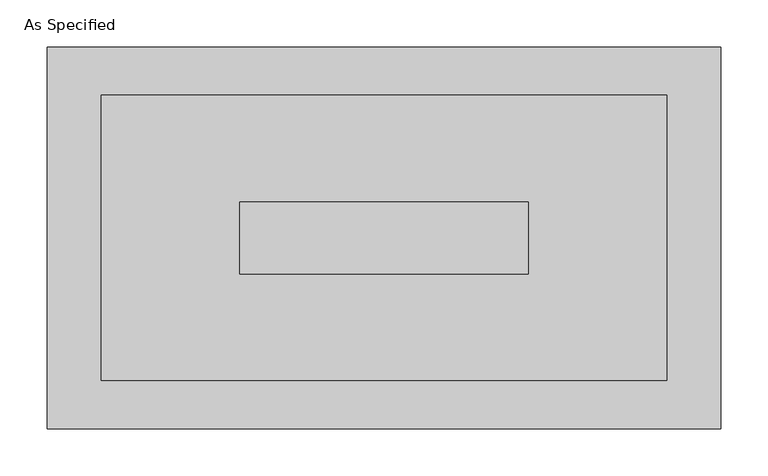
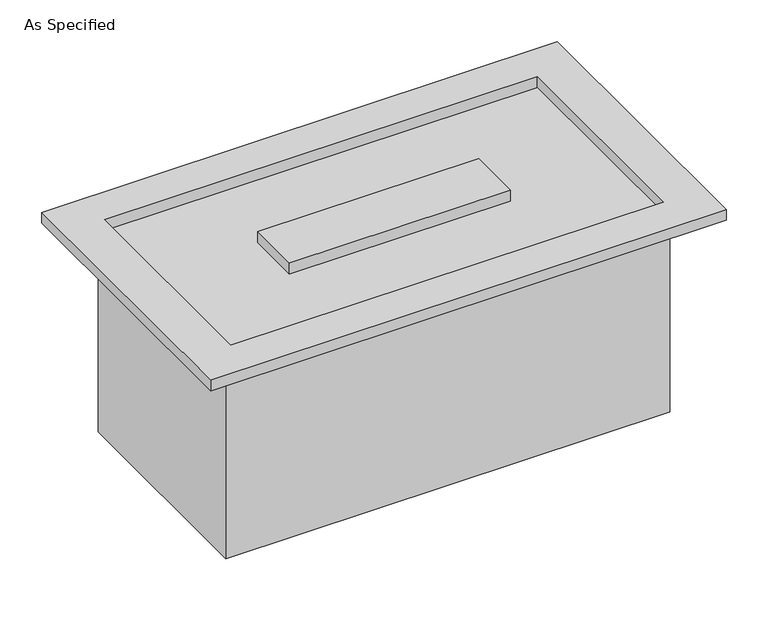
"""IFC4 building model written with IfcOpenShell, lengths in millimetres: proxy geometry, As Specified."""

from ifc_helpers import new_model, si_unit, origin, place, context, project, spatial, faceted_brep, source, transform, mapped, element, save


def as_specified_ce800c54(model_context):
    return source(origin(), model_context, "Body", "Brep", [
        faceted_brep([(306.3875, 152.4, -292.1), (306.3875, -152.4, -292.1), (-306.3875, -152.4, -292.1), (-306.3875, 152.4, -292.1), (298.4499926, -150.812509, 0.0), (298.4499926, 150.8125043, 0.0), (-298.4499937, 150.8125043, 0.0), (-298.4499937, -150.812509, 0.0), (-152.4000025, 38.0999981, 0.0), (152.4000013, 38.0999981, 0.0), (152.4000013, -38.1000028, 0.0), (-152.4000025, -38.1000028, 0.0), (-306.3875, 152.4, 0.0), (306.3875, 152.4, 0.0), (-306.3875, -152.4, 0.0), (306.3875, -152.4, 0.0), (355.6, 201.6125, 15.875), (-355.6, 201.6125, 15.875), (-355.6, -201.6125, 15.875), (355.6, -201.6125, 15.875), (298.4499926, 150.8125043, 15.875), (298.4499926, -150.812509, 15.875), (-298.4499937, -150.812509, 15.875), (-298.4499937, 150.8125043, 15.875), (152.4000013, 38.0999981, 15.875), (-152.4000025, 38.0999981, 15.875), (-152.4000025, -38.1000028, 15.875), (152.4000013, -38.1000028, 15.875), (355.6, 201.6125, 0.0), (355.6, -201.6125, 0.0), (-355.6, -201.6125, 0.0), (-355.6, 201.6125, 0.0)], [[[0, 1, 2, 3]], [[4, 5, 6, 7], [8, 9, 10, 11]], [[0, 3, 12, 13]], [[3, 2, 14, 12]], [[2, 1, 15, 14]], [[1, 0, 13, 15]], [[16, 17, 18, 19], [20, 21, 22, 23]], [[24, 25, 26, 27]], [[28, 29, 30, 31], [13, 12, 14, 15]], [[17, 16, 28, 31]], [[18, 17, 31, 30]], [[19, 18, 30, 29]], [[16, 19, 29, 28]], [[21, 20, 5, 4]], [[22, 21, 4, 7]], [[23, 22, 7, 6]], [[20, 23, 6, 5]], [[25, 24, 9, 8]], [[26, 25, 8, 11]], [[27, 26, 11, 10]], [[24, 27, 10, 9]]]),
    ])


if __name__ == "__main__":
    model = new_model("IFC4")
    model_context = context("Model", 3, world=origin())
    ifc_project = project(units=[si_unit("LENGTHUNIT", "METRE", prefix="MILLI")], contexts=[model_context])
    site = spatial("IfcSite", under=ifc_project)
    building = spatial("IfcBuilding", under=site)
    placement = place(None, origin())
    as_specified_shape = as_specified_ce800c54(model_context)
    element("IfcBuildingElementProxy", 1, Name="As Specified", ObjectType="As Specified", at=placement, inside=building, context=model_context, shape_type="MappedRepresentation", body=[
        mapped(as_specified_shape, transform((0.0, 0.0, 0.0), x_axis=(1.0, 0.0, 0.0), y_axis=(0.0, 1.0, 0.0), z_axis=(0.0, 0.0, 1.0))),
    ])
    save(model, "model.ifc")
